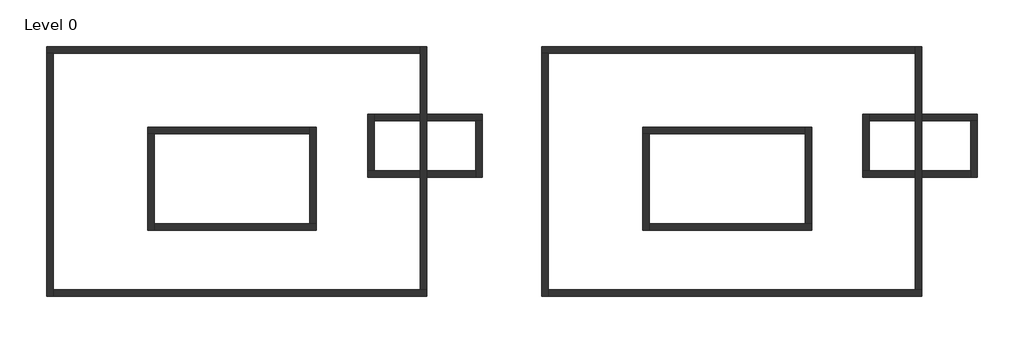
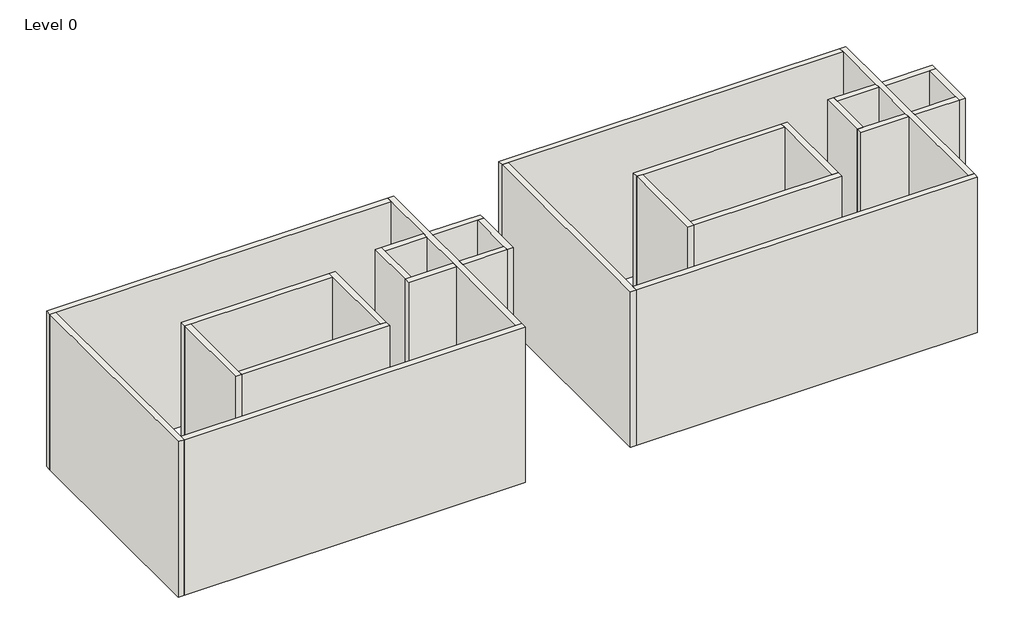
# One storey: 24 walls.
"""IFC4 building model written with IfcOpenShell, lengths in millimetres."""

import ifcopenshell
import ifcopenshell.guid

model = None  # the IFC model being written
_history = None  # IfcOwnerHistory: only IFC2X3 demands one
_inside = {}  # id of a spatial element -> (the spatial element, [elements in it])
_under = {}  # id of a project, library or spatial element -> (it, [spatial elements below it])
_declared = {}  # id of a project -> (the project, [libraries it declares])
_typed = {}  # id of a type object -> (the type object, [elements of that type])
_made_of = {}  # id of a material, layer set ... -> (it, [elements and type objects made of it])


def new_model(schema):
    """Start an empty IFC model of exactly this schema.

    Asked for "IFC4X3", IfcOpenShell would pick the latest addendum, in which some entities
    have other attributes; the version numbers below select the first issue.
    IFC2X3 requires an IfcOwnerHistory on every rooted entity: one is made here for all.
    """
    global model, _history
    if schema == "IFC4X3":
        model = ifcopenshell.file(schema_version=(4, 3, 0, 0))
    else:
        model = ifcopenshell.file(schema=schema)
    _inside.clear()
    _under.clear()
    _declared.clear()
    _typed.clear()
    _made_of.clear()
    _history = None
    if model.schema == "IFC2X3":
        org = make("IfcOrganization", Name="unknown")
        user = make(
            "IfcPersonAndOrganization",
            ThePerson=make("IfcPerson", FamilyName="unknown"),
            TheOrganization=org,
        )
        app = make(
            "IfcApplication",
            ApplicationDeveloper=org,
            Version="unknown",
            ApplicationFullName="unknown",
            ApplicationIdentifier="unknown",
        )
        _history = make(
            "IfcOwnerHistory",
            OwningUser=user,
            OwningApplication=app,
            ChangeAction="ADDED",
            CreationDate=0,
        )
    return model


def make(cls, **values):
    """One entity of the class cls with the attributes given. An attribute that is None is left unset."""
    return model.create_entity(
        cls, **{name: value for name, value in values.items() if value is not None}
    )


def rooted(cls, **values):
    """An entity with a GlobalId (a new one), such as an element, a storey or a relation."""
    return make(cls, GlobalId=ifcopenshell.guid.new(), OwnerHistory=_history, **values)


def si_unit(unit_type, name, prefix=None):
    """IfcSIUnit, for example si_unit("LENGTHUNIT", "METRE", prefix="MILLI")."""
    return make("IfcSIUnit", UnitType=unit_type, Prefix=prefix, Name=name)


def assignment(units):
    """IfcUnitAssignment: the units of a project."""
    return None if units is None else make("IfcUnitAssignment", Units=units)


def point(xyz):
    """IfcCartesianPoint."""
    return None if xyz is None else make("IfcCartesianPoint", Coordinates=xyz)


def direction(xyz):
    """IfcDirection."""
    return None if xyz is None else make("IfcDirection", DirectionRatios=xyz)


def frame(location, z_axis=None, x_axis=None):
    """IfcAxis2Placement3D, a coordinate frame: its origin and axes. An axis left out is left unset."""
    return make(
        "IfcAxis2Placement3D",
        Location=point(location),
        Axis=direction(z_axis),
        RefDirection=direction(x_axis),
    )


def origin():
    """The frame at (0, 0, 0) with its axes left unset."""
    return frame((0.0, 0.0, 0.0))


def place(relative_to, where):
    """IfcLocalPlacement: puts the frame where relative to a parent placement (None: the world)."""
    return make(
        "IfcLocalPlacement", PlacementRelTo=relative_to, RelativePlacement=where
    )


def context(
    kind, dimensions, precision=None, world=None, true_north=None, identifier=None
):
    """IfcGeometricRepresentationContext, for example the 3D "Model" context."""
    return make(
        "IfcGeometricRepresentationContext",
        ContextIdentifier=identifier,
        ContextType=kind,
        CoordinateSpaceDimension=dimensions,
        Precision=precision,
        WorldCoordinateSystem=world,
        TrueNorth=true_north,
    )


def project(units=None, contexts=None):
    """IfcProject with its units and contexts."""
    return rooted(
        "IfcProject",
        Name="project",
        RepresentationContexts=contexts,
        UnitsInContext=assignment(units),
    )


def spatial(cls, under=None, at=None, **own):
    """A site, building, storey or space (cls), placed at a placement, below another one or the project."""
    s = rooted(cls, ObjectPlacement=at, **own)
    if under is not None:
        _under.setdefault(under.id(), (under, []))[1].append(s)
    return s


def faces_of(points, faces, orient=None, outer=None):
    """IfcFace entities. A face is a list of loops; a loop is a list of indices into points, from 0.

    orient and outer hold one flag for each loop. By default every Orientation is true, the
    first loop of a face is its IfcFaceOuterBound and the others are IfcFaceBound.
    """
    made = []
    for i, loops in enumerate(faces):
        bounds = []
        for j, loop in enumerate(loops):
            is_outer = j == 0 if outer is None else outer[i][j]
            bounds.append(
                make(
                    "IfcFaceOuterBound" if is_outer else "IfcFaceBound",
                    Bound=make("IfcPolyLoop", Polygon=[points[k] for k in loop]),
                    Orientation=True if orient is None else orient[i][j],
                )
            )
        made.append(make("IfcFace", Bounds=bounds))
    return made


def faceted_brep(points, faces, orient=None, outer=None, voids=None):
    """IfcFacetedBrep: a solid bounded by flat faces; with voids (closed shells), ...WithVoids."""
    shared = [point(p) for p in points]
    hull = make("IfcClosedShell", CfsFaces=faces_of(shared, faces, orient, outer))
    if voids is None:
        return make("IfcFacetedBrep", Outer=hull)
    return make(
        "IfcFacetedBrepWithVoids",
        Outer=hull,
        Voids=[
            make(cls, CfsFaces=faces_of(shared, fs, o, b)) for cls, fs, o, b in voids
        ],
    )


def shape(context_of_items, identifier, shape_type, items):
    """IfcShapeRepresentation: the items that make up one representation, for example the "Body"."""
    return make(
        "IfcShapeRepresentation",
        ContextOfItems=context_of_items,
        RepresentationIdentifier=identifier,
        RepresentationType=shape_type,
        Items=items,
    )


def made_of(thing, what):
    """Note that an element or type object is made of a material, layer set ...; save() writes the relation."""
    if what is not None:
        _made_of.setdefault(what.id(), (what, []))[1].append(thing)
    return thing


def element(
    cls,
    number,
    at=None,
    inside=None,
    cuts=None,
    type_object=None,
    material=None,
    context=None,
    identifier="Body",
    shape_type=None,
    held_by="IfcProductDefinitionShape",
    body=None,
    shapes=None,
    **own,
):
    """One element of the class cls, such as IfcWall. Its Tag is "e" and its number.

    at: its placement. inside: the storey or other place that contains it. cuts: it is an
    opening in that element (IfcRelVoidsElement). A single representation is given by context,
    identifier, shape_type and body (its items); several are given by shapes. held_by: the class
    of the entity that holds the representations. save() writes the other relations.
    """
    e = rooted(cls, Tag="e%d" % number, ObjectPlacement=at, **own)
    if body is not None:
        shapes = [shape(context, identifier, shape_type, body)]
    if shapes is not None:
        e.Representation = make(held_by, Representations=shapes)
    if inside is not None:
        _inside.setdefault(inside.id(), (inside, []))[1].append(e)
    if cuts is not None:
        rooted(
            "IfcRelVoidsElement", RelatingBuildingElement=cuts, RelatedOpeningElement=e
        )
    if type_object is not None:
        _typed.setdefault(type_object.id(), (type_object, []))[1].append(e)
    return made_of(e, material)


def aggregate(whole, parts):
    """IfcRelAggregates: a whole, such as a stair, and the parts it consists of."""
    return rooted("IfcRelAggregates", RelatingObject=whole, RelatedObjects=parts)


def save(model, path):
    """Write the relations noted so far, then the file.

    IfcRelAggregates (storeys below a building ...), IfcRelContainedInSpatialStructure (elements
    in a storey), IfcRelDefinesByType, IfcRelAssociatesMaterial and IfcRelDeclares: one each for
    every whole, place, type object, material and project.
    """
    for whole, parts in _under.values():
        aggregate(whole, parts)
    for where, things in _inside.values():
        rooted(
            "IfcRelContainedInSpatialStructure",
            RelatedElements=things,
            RelatingStructure=where,
        )
    for kind, things in _typed.values():
        rooted("IfcRelDefinesByType", RelatedObjects=things, RelatingType=kind)
    for what, things in _made_of.values():
        rooted("IfcRelAssociatesMaterial", RelatedObjects=things, RelatingMaterial=what)
    for by, libraries in _declared.values():
        rooted("IfcRelDeclares", RelatingContext=by, RelatedDefinitions=libraries)
    model.write(path)


model = new_model("IFC4")

# Units and contexts
model_context = context("Model", 3, world=origin())
ifc_project = project(units=[si_unit("LENGTHUNIT", "METRE", prefix="MILLI")], contexts=[model_context])

# Site, building, storey
site = spatial("IfcSite", under=ifc_project)
building = spatial("IfcBuilding", under=site)
storey = spatial("IfcBuildingStorey", under=building, Name="Level 0", Elevation=0.0)

# Walls
placement = place(None, origin())
element("IfcWall", 1, at=placement, inside=storey, context=model_context, shape_type="Brep", body=[
    faceted_brep([(-7219.2222296, 4129.0104211, 0.0), (-6929.2222296, 4129.0104211, 0.0), (9380.7777704, 4129.0104211, 0.0), (9380.7777704, 4129.0104211, 8000.0), (-6929.2222296, 4129.0104211, 8000.0), (-7219.2222296, 4129.0104211, 8000.0), (-7219.2222296, 4419.0104211, 0.0), (-7219.2222296, 4419.0104211, 8000.0), (9380.7777704, 4419.0104211, 8000.0), (9380.7777704, 4419.0104211, 0.0)], [[[0, 1, 2, 3, 4, 5]], [[6, 7, 8, 9]], [[2, 1, 0, 6, 9]], [[5, 4, 3, 8, 7]], [[0, 5, 7, 6]], [[3, 2, 9, 8]]]),
])
element("IfcWall", 2, at=placement, inside=storey, context=model_context, shape_type="Brep", body=[
    faceted_brep([(-6929.2222296, -6670.9895789, 0.0), (-6929.2222296, -6380.9895789, 0.0), (-6929.2222296, 4129.0104211, 0.0), (-6929.2222296, 4129.0104211, 8000.0), (-6929.2222296, -6380.9895789, 8000.0), (-6929.2222296, -6670.9895789, 8000.0), (-7219.2222296, -6670.9895789, 0.0), (-7219.2222296, -6670.9895789, 8000.0), (-7219.2222296, 4129.0104211, 8000.0), (-7219.2222296, 4129.0104211, 0.0)], [[[0, 1, 2, 3, 4, 5]], [[6, 7, 8, 9]], [[2, 1, 0, 6, 9]], [[5, 4, 3, 8, 7]], [[0, 5, 7, 6]], [[3, 2, 9, 8]]]),
])
element("IfcWall", 3, at=placement, inside=storey, context=model_context, shape_type="Brep", body=[
    faceted_brep([(9670.7777704, -6380.9895789, 0.0), (9380.7777704, -6380.9895789, 0.0), (-6929.2222296, -6380.9895789, 0.0), (-6929.2222296, -6380.9895789, 8000.0), (9380.7777704, -6380.9895789, 8000.0), (9670.7777704, -6380.9895789, 8000.0), (9670.7777704, -6670.9895789, 0.0), (9670.7777704, -6670.9895789, 8000.0), (-6929.2222296, -6670.9895789, 8000.0), (-6929.2222296, -6670.9895789, 0.0)], [[[0, 1, 2, 3, 4, 5]], [[6, 7, 8, 9]], [[2, 1, 0, 6, 9]], [[5, 4, 3, 8, 7]], [[0, 5, 7, 6]], [[3, 2, 9, 8]]]),
])
element("IfcWall", 4, at=placement, inside=storey, context=model_context, shape_type="Brep", body=[
    faceted_brep([(9380.7777704, 4419.0104211, 0.0), (9380.7777704, 4129.0104211, 0.0), (9380.7777704, 1404.1331422, 0.0), (9380.7777704, 1114.1331422, 0.0), (9380.7777704, -1095.8668578, 0.0), (9380.7777704, -1385.8668578, 0.0), (9380.7777704, -6380.9895789, 0.0), (9380.7777704, -6380.9895789, 8000.0), (9380.7777704, -1385.8668578, 8000.0), (9380.7777704, -1095.8668578, 8000.0), (9380.7777704, 1114.1331422, 8000.0), (9380.7777704, 1404.1331422, 8000.0), (9380.7777704, 4129.0104211, 8000.0), (9380.7777704, 4419.0104211, 8000.0), (9670.7777704, 4419.0104211, 0.0), (9670.7777704, 4419.0104211, 8000.0), (9670.7777704, 1404.1331422, 8000.0), (9670.7777704, 1114.1331422, 8000.0), (9670.7777704, -1095.8668578, 8000.0), (9670.7777704, -1385.8668578, 8000.0), (9670.7777704, -6380.9895789, 8000.0), (9670.7777704, -6380.9895789, 0.0), (9670.7777704, -1385.8668578, 0.0), (9670.7777704, -1095.8668578, 0.0), (9670.7777704, 1114.1331422, 0.0), (9670.7777704, 1404.1331422, 0.0)], [[[0, 1, 2, 3, 4, 5, 6, 7, 8, 9, 10, 11, 12, 13]], [[14, 15, 16, 17, 18, 19, 20, 21, 22, 23, 24, 25]], [[6, 5, 4, 3, 2, 1, 0, 14, 25, 24, 23, 22, 21]], [[13, 12, 11, 10, 9, 8, 7, 20, 19, 18, 17, 16, 15]], [[0, 13, 15, 14]], [[7, 6, 21, 20]]]),
])
element("IfcWall", 5, at=placement, inside=storey, context=model_context, shape_type="Brep", body=[
    faceted_brep([(-2725.6185209, 554.5529255, 0.0), (-2435.6185209, 554.5529255, 0.0), (4474.3814791, 554.5529255, 0.0), (4474.3814791, 554.5529255, 8000.0), (-2435.6185209, 554.5529255, 8000.0), (-2725.6185209, 554.5529255, 8000.0), (-2725.6185209, 844.5529255, 0.0), (-2725.6185209, 844.5529255, 8000.0), (4474.3814791, 844.5529255, 8000.0), (4474.3814791, 844.5529255, 0.0)], [[[0, 1, 2, 3, 4, 5]], [[6, 7, 8, 9]], [[2, 1, 0, 6, 9]], [[5, 4, 3, 8, 7]], [[0, 5, 7, 6]], [[3, 2, 9, 8]]]),
])
element("IfcWall", 6, at=placement, inside=storey, context=model_context, shape_type="Brep", body=[
    faceted_brep([(-2435.6185209, -3745.4470745, 0.0), (-2435.6185209, -3455.4470745, 0.0), (-2435.6185209, 554.5529255, 0.0), (-2435.6185209, 554.5529255, 8000.0), (-2435.6185209, -3455.4470745, 8000.0), (-2435.6185209, -3745.4470745, 8000.0), (-2725.6185209, -3745.4470745, 0.0), (-2725.6185209, -3745.4470745, 8000.0), (-2725.6185209, 554.5529255, 8000.0), (-2725.6185209, 554.5529255, 0.0)], [[[0, 1, 2, 3, 4, 5]], [[6, 7, 8, 9]], [[2, 1, 0, 6, 9]], [[5, 4, 3, 8, 7]], [[0, 5, 7, 6]], [[3, 2, 9, 8]]]),
])
element("IfcWall", 7, at=placement, inside=storey, context=model_context, shape_type="Brep", body=[
    faceted_brep([(4764.3814791, -3455.4470745, 0.0), (4474.3814791, -3455.4470745, 0.0), (-2435.6185209, -3455.4470745, 0.0), (-2435.6185209, -3455.4470745, 8000.0), (4474.3814791, -3455.4470745, 8000.0), (4764.3814791, -3455.4470745, 8000.0), (4764.3814791, -3745.4470745, 0.0), (4764.3814791, -3745.4470745, 8000.0), (-2435.6185209, -3745.4470745, 8000.0), (-2435.6185209, -3745.4470745, 0.0)], [[[0, 1, 2, 3, 4, 5]], [[6, 7, 8, 9]], [[2, 1, 0, 6, 9]], [[5, 4, 3, 8, 7]], [[0, 5, 7, 6]], [[3, 2, 9, 8]]]),
])
element("IfcWall", 8, at=placement, inside=storey, context=model_context, shape_type="Brep", body=[
    faceted_brep([(4474.3814791, 844.5529255, 0.0), (4474.3814791, 554.5529255, 0.0), (4474.3814791, -3455.4470745, 0.0), (4474.3814791, -3455.4470745, 8000.0), (4474.3814791, 554.5529255, 8000.0), (4474.3814791, 844.5529255, 8000.0), (4764.3814791, 844.5529255, 0.0), (4764.3814791, 844.5529255, 8000.0), (4764.3814791, -3455.4470745, 8000.0), (4764.3814791, -3455.4470745, 0.0)], [[[0, 1, 2, 3, 4, 5]], [[6, 7, 8, 9]], [[2, 1, 0, 6, 9]], [[5, 4, 3, 8, 7]], [[0, 5, 7, 6]], [[3, 2, 9, 8]]]),
])
element("IfcWall", 9, at=placement, inside=storey, context=model_context, shape_type="Brep", body=[
    faceted_brep([(7044.5653004, -1385.8668578, 8000.0), (7044.5653004, -1385.8668578, 0.0), (9380.7777704, -1385.8668578, 0.0), (9380.7777704, -1385.8668578, 8000.0), (7044.5653004, -1095.8668578, 0.0), (7044.5653004, -1095.8668578, 8000.0), (7334.5653004, -1095.8668578, 8000.0), (9380.7777704, -1095.8668578, 8000.0), (9380.7777704, -1095.8668578, 0.0), (7334.5653004, -1095.8668578, 0.0)], [[[0, 1, 2, 3]], [[4, 5, 6, 7, 8, 9]], [[1, 4, 9, 8, 2]], [[5, 0, 3, 7, 6]], [[1, 0, 5, 4]], [[3, 2, 8, 7]]]),
    faceted_brep([(11844.5653004, -1385.8668578, 0.0), (11844.5653004, -1385.8668578, 8000.0), (9670.7777704, -1385.8668578, 8000.0), (9670.7777704, -1385.8668578, 0.0), (11844.5653004, -1095.8668578, 8000.0), (11844.5653004, -1095.8668578, 0.0), (9670.7777704, -1095.8668578, 0.0), (9670.7777704, -1095.8668578, 8000.0)], [[[0, 1, 2, 3]], [[4, 5, 6, 7]], [[5, 0, 3, 6]], [[1, 4, 7, 2]], [[1, 0, 5, 4]], [[3, 2, 7, 6]]]),
])
element("IfcWall", 10, at=placement, inside=storey, context=model_context, shape_type="Brep", body=[
    faceted_brep([(7044.5653004, 1404.1331422, 0.0), (7044.5653004, -1095.8668578, 0.0), (7044.5653004, -1095.8668578, 8000.0), (7044.5653004, 1404.1331422, 8000.0), (7334.5653004, 1404.1331422, 0.0), (7334.5653004, 1404.1331422, 8000.0), (7334.5653004, 1114.1331422, 8000.0), (7334.5653004, -1095.8668578, 8000.0), (7334.5653004, -1095.8668578, 0.0), (7334.5653004, 1114.1331422, 0.0)], [[[0, 1, 2, 3]], [[4, 5, 6, 7, 8, 9]], [[1, 0, 4, 9, 8]], [[3, 2, 7, 6, 5]], [[0, 3, 5, 4]], [[2, 1, 8, 7]]]),
])
element("IfcWall", 11, at=placement, inside=storey, context=model_context, shape_type="Brep", body=[
    faceted_brep([(12134.5653004, 1404.1331422, 8000.0), (12134.5653004, 1404.1331422, 0.0), (9670.7777704, 1404.1331422, 0.0), (9670.7777704, 1404.1331422, 8000.0), (12134.5653004, 1114.1331422, 0.0), (12134.5653004, 1114.1331422, 8000.0), (11844.5653004, 1114.1331422, 8000.0), (9670.7777704, 1114.1331422, 8000.0), (9670.7777704, 1114.1331422, 0.0), (11844.5653004, 1114.1331422, 0.0)], [[[0, 1, 2, 3]], [[4, 5, 6, 7, 8, 9]], [[1, 4, 9, 8, 2]], [[5, 0, 3, 7, 6]], [[1, 0, 5, 4]], [[3, 2, 8, 7]]]),
    faceted_brep([(7334.5653004, 1404.1331422, 0.0), (7334.5653004, 1404.1331422, 8000.0), (9380.7777704, 1404.1331422, 8000.0), (9380.7777704, 1404.1331422, 0.0), (7334.5653004, 1114.1331422, 8000.0), (7334.5653004, 1114.1331422, 0.0), (9380.7777704, 1114.1331422, 0.0), (9380.7777704, 1114.1331422, 8000.0)], [[[0, 1, 2, 3]], [[4, 5, 6, 7]], [[5, 0, 3, 6]], [[1, 4, 7, 2]], [[1, 0, 5, 4]], [[3, 2, 7, 6]]]),
])
element("IfcWall", 12, at=placement, inside=storey, context=model_context, shape_type="Brep", body=[
    faceted_brep([(12134.5653004, -1385.8668578, 0.0), (12134.5653004, 1114.1331422, 0.0), (12134.5653004, 1114.1331422, 8000.0), (12134.5653004, -1385.8668578, 8000.0), (11844.5653004, -1385.8668578, 0.0), (11844.5653004, -1385.8668578, 8000.0), (11844.5653004, -1095.8668578, 8000.0), (11844.5653004, 1114.1331422, 8000.0), (11844.5653004, 1114.1331422, 0.0), (11844.5653004, -1095.8668578, 0.0)], [[[0, 1, 2, 3]], [[4, 5, 6, 7, 8, 9]], [[1, 0, 4, 9, 8]], [[3, 2, 7, 6, 5]], [[0, 3, 5, 4]], [[2, 1, 8, 7]]]),
])
element("IfcWall", 13, at=placement, inside=storey, context=model_context, shape_type="Brep", body=[
    faceted_brep([(14780.7777704, 4129.0104211, 0.0), (15070.7777704, 4129.0104211, 0.0), (31380.7777704, 4129.0104211, 0.0), (31380.7777704, 4129.0104211, 8000.0), (15070.7777704, 4129.0104211, 8000.0), (14780.7777704, 4129.0104211, 8000.0), (14780.7777704, 4419.0104211, 0.0), (14780.7777704, 4419.0104211, 8000.0), (31380.7777704, 4419.0104211, 8000.0), (31380.7777704, 4419.0104211, 0.0)], [[[0, 1, 2, 3, 4, 5]], [[6, 7, 8, 9]], [[2, 1, 0, 6, 9]], [[5, 4, 3, 8, 7]], [[0, 5, 7, 6]], [[3, 2, 9, 8]]]),
])
element("IfcWall", 14, at=placement, inside=storey, context=model_context, shape_type="Brep", body=[
    faceted_brep([(15070.7777704, -6670.9895789, 0.0), (15070.7777704, -6380.9895789, 0.0), (15070.7777704, 4129.0104211, 0.0), (15070.7777704, 4129.0104211, 8000.0), (15070.7777704, -6380.9895789, 8000.0), (15070.7777704, -6670.9895789, 8000.0), (14780.7777704, -6670.9895789, 0.0), (14780.7777704, -6670.9895789, 8000.0), (14780.7777704, 4129.0104211, 8000.0), (14780.7777704, 4129.0104211, 0.0)], [[[0, 1, 2, 3, 4, 5]], [[6, 7, 8, 9]], [[2, 1, 0, 6, 9]], [[5, 4, 3, 8, 7]], [[0, 5, 7, 6]], [[3, 2, 9, 8]]]),
])
element("IfcWall", 15, at=placement, inside=storey, context=model_context, shape_type="Brep", body=[
    faceted_brep([(31670.7777704, -6380.9895789, 0.0), (31380.7777704, -6380.9895789, 0.0), (15070.7777704, -6380.9895789, 0.0), (15070.7777704, -6380.9895789, 8000.0), (31380.7777704, -6380.9895789, 8000.0), (31670.7777704, -6380.9895789, 8000.0), (31670.7777704, -6670.9895789, 0.0), (31670.7777704, -6670.9895789, 8000.0), (15070.7777704, -6670.9895789, 8000.0), (15070.7777704, -6670.9895789, 0.0)], [[[0, 1, 2, 3, 4, 5]], [[6, 7, 8, 9]], [[2, 1, 0, 6, 9]], [[5, 4, 3, 8, 7]], [[0, 5, 7, 6]], [[3, 2, 9, 8]]]),
])
element("IfcWall", 16, at=placement, inside=storey, context=model_context, shape_type="Brep", body=[
    faceted_brep([(31380.7777704, 4419.0104211, 0.0), (31380.7777704, 4129.0104211, 0.0), (31380.7777704, 1404.1331422, 0.0), (31380.7777704, 1114.1331422, 0.0), (31380.7777704, -1095.8668578, 0.0), (31380.7777704, -1385.8668578, 0.0), (31380.7777704, -6380.9895789, 0.0), (31380.7777704, -6380.9895789, 8000.0), (31380.7777704, -1385.8668578, 8000.0), (31380.7777704, -1095.8668578, 8000.0), (31380.7777704, 1114.1331422, 8000.0), (31380.7777704, 1404.1331422, 8000.0), (31380.7777704, 4129.0104211, 8000.0), (31380.7777704, 4419.0104211, 8000.0), (31670.7777704, 4419.0104211, 0.0), (31670.7777704, 4419.0104211, 8000.0), (31670.7777704, 1404.1331422, 8000.0), (31670.7777704, 1114.1331422, 8000.0), (31670.7777704, -1095.8668578, 8000.0), (31670.7777704, -1385.8668578, 8000.0), (31670.7777704, -6380.9895789, 8000.0), (31670.7777704, -6380.9895789, 0.0), (31670.7777704, -1385.8668578, 0.0), (31670.7777704, -1095.8668578, 0.0), (31670.7777704, 1114.1331422, 0.0), (31670.7777704, 1404.1331422, 0.0)], [[[0, 1, 2, 3, 4, 5, 6, 7, 8, 9, 10, 11, 12, 13]], [[14, 15, 16, 17, 18, 19, 20, 21, 22, 23, 24, 25]], [[6, 5, 4, 3, 2, 1, 0, 14, 25, 24, 23, 22, 21]], [[13, 12, 11, 10, 9, 8, 7, 20, 19, 18, 17, 16, 15]], [[0, 13, 15, 14]], [[7, 6, 21, 20]]]),
])
element("IfcWall", 17, at=placement, inside=storey, context=model_context, shape_type="Brep", body=[
    faceted_brep([(19274.3814791, 554.5529255, 0.0), (19564.3814791, 554.5529255, 0.0), (26474.3814791, 554.5529255, 0.0), (26474.3814791, 554.5529255, 8000.0), (19564.3814791, 554.5529255, 8000.0), (19274.3814791, 554.5529255, 8000.0), (19274.3814791, 844.5529255, 0.0), (19274.3814791, 844.5529255, 8000.0), (26474.3814791, 844.5529255, 8000.0), (26474.3814791, 844.5529255, 0.0)], [[[0, 1, 2, 3, 4, 5]], [[6, 7, 8, 9]], [[2, 1, 0, 6, 9]], [[5, 4, 3, 8, 7]], [[0, 5, 7, 6]], [[3, 2, 9, 8]]]),
])
element("IfcWall", 18, at=placement, inside=storey, context=model_context, shape_type="Brep", body=[
    faceted_brep([(19564.3814791, -3745.4470745, 0.0), (19564.3814791, -3455.4470745, 0.0), (19564.3814791, 554.5529255, 0.0), (19564.3814791, 554.5529255, 8000.0), (19564.3814791, -3455.4470745, 8000.0), (19564.3814791, -3745.4470745, 8000.0), (19274.3814791, -3745.4470745, 0.0), (19274.3814791, -3745.4470745, 8000.0), (19274.3814791, 554.5529255, 8000.0), (19274.3814791, 554.5529255, 0.0)], [[[0, 1, 2, 3, 4, 5]], [[6, 7, 8, 9]], [[2, 1, 0, 6, 9]], [[5, 4, 3, 8, 7]], [[0, 5, 7, 6]], [[3, 2, 9, 8]]]),
])
element("IfcWall", 19, at=placement, inside=storey, context=model_context, shape_type="Brep", body=[
    faceted_brep([(26764.3814791, -3455.4470745, 0.0), (26474.3814791, -3455.4470745, 0.0), (19564.3814791, -3455.4470745, 0.0), (19564.3814791, -3455.4470745, 8000.0), (26474.3814791, -3455.4470745, 8000.0), (26764.3814791, -3455.4470745, 8000.0), (26764.3814791, -3745.4470745, 0.0), (26764.3814791, -3745.4470745, 8000.0), (19564.3814791, -3745.4470745, 8000.0), (19564.3814791, -3745.4470745, 0.0)], [[[0, 1, 2, 3, 4, 5]], [[6, 7, 8, 9]], [[2, 1, 0, 6, 9]], [[5, 4, 3, 8, 7]], [[0, 5, 7, 6]], [[3, 2, 9, 8]]]),
])
element("IfcWall", 20, at=placement, inside=storey, context=model_context, shape_type="Brep", body=[
    faceted_brep([(26474.3814791, 844.5529255, 0.0), (26474.3814791, 554.5529255, 0.0), (26474.3814791, -3455.4470745, 0.0), (26474.3814791, -3455.4470745, 8000.0), (26474.3814791, 554.5529255, 8000.0), (26474.3814791, 844.5529255, 8000.0), (26764.3814791, 844.5529255, 0.0), (26764.3814791, 844.5529255, 8000.0), (26764.3814791, -3455.4470745, 8000.0), (26764.3814791, -3455.4470745, 0.0)], [[[0, 1, 2, 3, 4, 5]], [[6, 7, 8, 9]], [[2, 1, 0, 6, 9]], [[5, 4, 3, 8, 7]], [[0, 5, 7, 6]], [[3, 2, 9, 8]]]),
])
element("IfcWall", 21, at=placement, inside=storey, context=model_context, shape_type="Brep", body=[
    faceted_brep([(29044.5653004, -1385.8668578, 8000.0), (29044.5653004, -1385.8668578, 0.0), (31380.7777704, -1385.8668578, 0.0), (31380.7777704, -1385.8668578, 8000.0), (29044.5653004, -1095.8668578, 0.0), (29044.5653004, -1095.8668578, 8000.0), (29334.5653004, -1095.8668578, 8000.0), (31380.7777704, -1095.8668578, 8000.0), (31380.7777704, -1095.8668578, 0.0), (29334.5653004, -1095.8668578, 0.0)], [[[0, 1, 2, 3]], [[4, 5, 6, 7, 8, 9]], [[1, 4, 9, 8, 2]], [[5, 0, 3, 7, 6]], [[1, 0, 5, 4]], [[3, 2, 8, 7]]]),
    faceted_brep([(33844.5653004, -1385.8668578, 0.0), (33844.5653004, -1385.8668578, 8000.0), (31670.7777704, -1385.8668578, 8000.0), (31670.7777704, -1385.8668578, 0.0), (33844.5653004, -1095.8668578, 8000.0), (33844.5653004, -1095.8668578, 0.0), (31670.7777704, -1095.8668578, 0.0), (31670.7777704, -1095.8668578, 8000.0)], [[[0, 1, 2, 3]], [[4, 5, 6, 7]], [[5, 0, 3, 6]], [[1, 4, 7, 2]], [[1, 0, 5, 4]], [[3, 2, 7, 6]]]),
])
element("IfcWall", 22, at=placement, inside=storey, context=model_context, shape_type="Brep", body=[
    faceted_brep([(29044.5653004, 1404.1331422, 0.0), (29044.5653004, -1095.8668578, 0.0), (29044.5653004, -1095.8668578, 8000.0), (29044.5653004, 1404.1331422, 8000.0), (29334.5653004, 1404.1331422, 0.0), (29334.5653004, 1404.1331422, 8000.0), (29334.5653004, 1114.1331422, 8000.0), (29334.5653004, -1095.8668578, 8000.0), (29334.5653004, -1095.8668578, 0.0), (29334.5653004, 1114.1331422, 0.0)], [[[0, 1, 2, 3]], [[4, 5, 6, 7, 8, 9]], [[1, 0, 4, 9, 8]], [[3, 2, 7, 6, 5]], [[0, 3, 5, 4]], [[2, 1, 8, 7]]]),
])
element("IfcWall", 23, at=placement, inside=storey, context=model_context, shape_type="Brep", body=[
    faceted_brep([(34134.5653004, 1404.1331422, 8000.0), (34134.5653004, 1404.1331422, 0.0), (31670.7777704, 1404.1331422, 0.0), (31670.7777704, 1404.1331422, 8000.0), (34134.5653004, 1114.1331422, 0.0), (34134.5653004, 1114.1331422, 8000.0), (33844.5653004, 1114.1331422, 8000.0), (31670.7777704, 1114.1331422, 8000.0), (31670.7777704, 1114.1331422, 0.0), (33844.5653004, 1114.1331422, 0.0)], [[[0, 1, 2, 3]], [[4, 5, 6, 7, 8, 9]], [[1, 4, 9, 8, 2]], [[5, 0, 3, 7, 6]], [[1, 0, 5, 4]], [[3, 2, 8, 7]]]),
    faceted_brep([(29334.5653004, 1404.1331422, 0.0), (29334.5653004, 1404.1331422, 8000.0), (31380.7777704, 1404.1331422, 8000.0), (31380.7777704, 1404.1331422, 0.0), (29334.5653004, 1114.1331422, 8000.0), (29334.5653004, 1114.1331422, 0.0), (31380.7777704, 1114.1331422, 0.0), (31380.7777704, 1114.1331422, 8000.0)], [[[0, 1, 2, 3]], [[4, 5, 6, 7]], [[5, 0, 3, 6]], [[1, 4, 7, 2]], [[1, 0, 5, 4]], [[3, 2, 7, 6]]]),
])
element("IfcWall", 24, at=placement, inside=storey, context=model_context, shape_type="Brep", body=[
    faceted_brep([(34134.5653004, -1385.8668578, 0.0), (34134.5653004, 1114.1331422, 0.0), (34134.5653004, 1114.1331422, 8000.0), (34134.5653004, -1385.8668578, 8000.0), (33844.5653004, -1385.8668578, 0.0), (33844.5653004, -1385.8668578, 8000.0), (33844.5653004, -1095.8668578, 8000.0), (33844.5653004, 1114.1331422, 8000.0), (33844.5653004, 1114.1331422, 0.0), (33844.5653004, -1095.8668578, 0.0)], [[[0, 1, 2, 3]], [[4, 5, 6, 7, 8, 9]], [[1, 0, 4, 9, 8]], [[3, 2, 7, 6, 5]], [[0, 3, 5, 4]], [[2, 1, 8, 7]]]),
])

save(model, "model.ifc")
